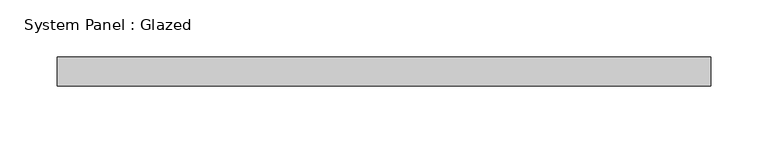
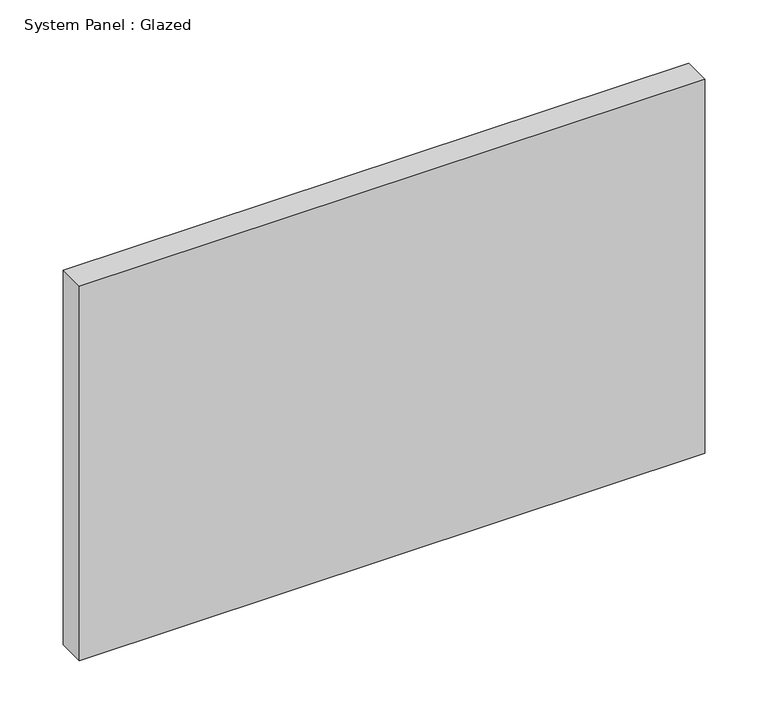
"""IFC4 building model written with IfcOpenShell, lengths in millimetres: plate geometry, System Panel : Glazed."""

from ifc_helpers import new_model, si_unit, origin, origin_with_axes, place, context, project, spatial, polyline, outline, extrude, source, transform, mapped, element, save


def system_panel_glazed_de7b5af1(model_context):
    return source(origin(), model_context, "Body", "SweptSolid", [
        extrude(outline(polyline([(285.75, -12.7), (-285.75, -12.7), (-285.75, 12.7), (285.75, 12.7), (285.75, -12.7)])), origin_with_axes(), (0.0, 0.0, 1.0), 361.45),
    ])


if __name__ == "__main__":
    model = new_model("IFC4")
    model_context = context("Model", 3, world=origin())
    ifc_project = project(units=[si_unit("LENGTHUNIT", "METRE", prefix="MILLI")], contexts=[model_context])
    site = spatial("IfcSite", under=ifc_project)
    building = spatial("IfcBuilding", under=site)
    placement = place(None, origin())
    system_panel_glazed_shape = system_panel_glazed_de7b5af1(model_context)
    element("IfcPlate", 1, ObjectType="System Panel : Glazed", at=placement, inside=building, context=model_context, shape_type="MappedRepresentation", body=[
        mapped(system_panel_glazed_shape, transform((0.0, 0.0, 0.0), x_axis=(1.0, 0.0, 0.0), y_axis=(0.0, 1.0, 0.0), z_axis=(0.0, 0.0, 1.0))),
    ])
    save(model, "model.ifc")
